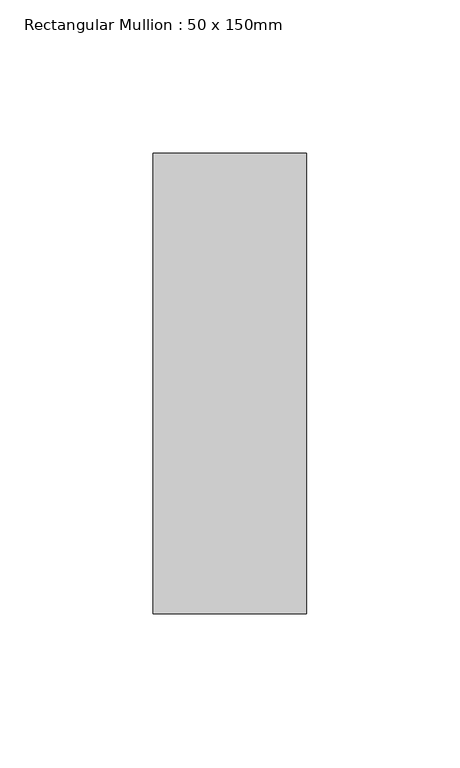
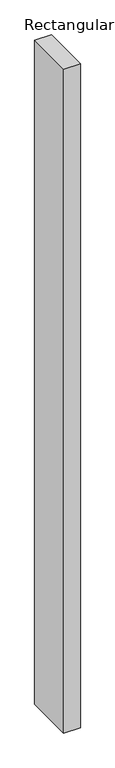
"""IFC4 building model written with IfcOpenShell, lengths in millimetres: member geometry, Rectangular Mullion : 50 x 150mm."""

from ifc_helpers import new_model, si_unit, frame, origin, place, context, project, spatial, polyline, outline, extrude, source, transform, mapped, element, save


def rectangular_mullion_50_x_150mm_d81b54b1(model_context):
    return source(origin(), model_context, "Body", "SweptSolid", [
        extrude(outline(polyline([(25.0, 75.0), (25.0, -75.0), (-25.0, -75.0), (-25.0, 75.0), (25.0, 75.0)])), frame((0.0, 0.0, -2100.0), z_axis=(0.0, 0.0, 1.0), x_axis=(1.0, 0.0, 0.0)), (0.0, 0.0, 1.0), 2100.0),
    ])


if __name__ == "__main__":
    model = new_model("IFC4")
    model_context = context("Model", 3, world=origin())
    ifc_project = project(units=[si_unit("LENGTHUNIT", "METRE", prefix="MILLI")], contexts=[model_context])
    site = spatial("IfcSite", under=ifc_project)
    building = spatial("IfcBuilding", under=site)
    placement = place(None, origin())
    rectangular_mullion_50_x_150mm_shape = rectangular_mullion_50_x_150mm_d81b54b1(model_context)
    element("IfcMember", 1, ObjectType="Rectangular Mullion : 50 x 150mm", at=placement, inside=building, context=model_context, shape_type="MappedRepresentation", body=[
        mapped(rectangular_mullion_50_x_150mm_shape, transform((0.0, 0.0, 0.0), x_axis=(1.0, 0.0, 0.0), y_axis=(0.0, 1.0, 0.0), z_axis=(0.0, 0.0, 1.0))),
    ])
    save(model, "model.ifc")
